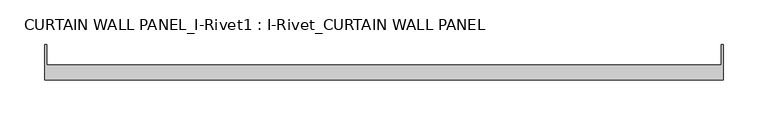
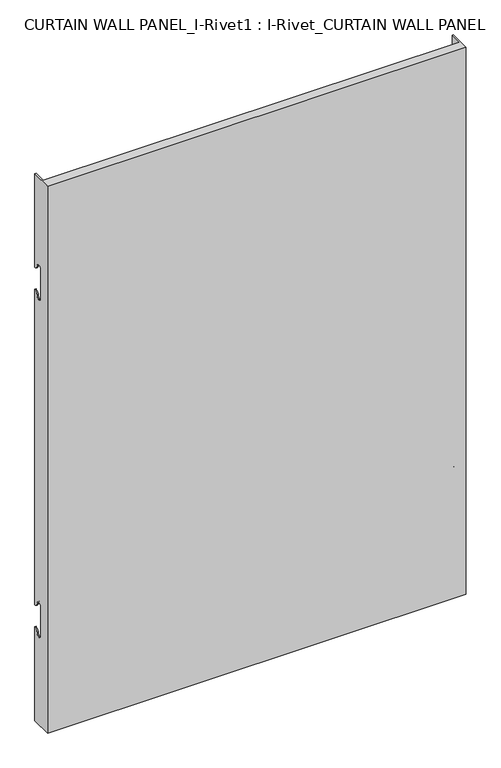
"""IFC4 building model written with IfcOpenShell, lengths in millimetres: plate geometry, CURTAIN WALL PANEL_I-Rivet1 : I-Rivet_CURTAIN WALL PANEL."""

import ifcopenshell
import ifcopenshell.guid

model = None  # the IFC model being written
_history = None  # IfcOwnerHistory: only IFC2X3 demands one
_inside = {}  # id of a spatial element -> (the spatial element, [elements in it])
_under = {}  # id of a project, library or spatial element -> (it, [spatial elements below it])
_declared = {}  # id of a project -> (the project, [libraries it declares])
_typed = {}  # id of a type object -> (the type object, [elements of that type])
_made_of = {}  # id of a material, layer set ... -> (it, [elements and type objects made of it])


def new_model(schema):
    """Start an empty IFC model of exactly this schema.

    Asked for "IFC4X3", IfcOpenShell would pick the latest addendum, in which some entities
    have other attributes; the version numbers below select the first issue.
    IFC2X3 requires an IfcOwnerHistory on every rooted entity: one is made here for all.
    """
    global model, _history
    if schema == "IFC4X3":
        model = ifcopenshell.file(schema_version=(4, 3, 0, 0))
    else:
        model = ifcopenshell.file(schema=schema)
    _inside.clear()
    _under.clear()
    _declared.clear()
    _typed.clear()
    _made_of.clear()
    _history = None
    if model.schema == "IFC2X3":
        org = make("IfcOrganization", Name="unknown")
        user = make(
            "IfcPersonAndOrganization",
            ThePerson=make("IfcPerson", FamilyName="unknown"),
            TheOrganization=org,
        )
        app = make(
            "IfcApplication",
            ApplicationDeveloper=org,
            Version="unknown",
            ApplicationFullName="unknown",
            ApplicationIdentifier="unknown",
        )
        _history = make(
            "IfcOwnerHistory",
            OwningUser=user,
            OwningApplication=app,
            ChangeAction="ADDED",
            CreationDate=0,
        )
    return model


def make(cls, **values):
    """One entity of the class cls with the attributes given. An attribute that is None is left unset."""
    return model.create_entity(
        cls, **{name: value for name, value in values.items() if value is not None}
    )


def rooted(cls, **values):
    """An entity with a GlobalId (a new one), such as an element, a storey or a relation."""
    return make(cls, GlobalId=ifcopenshell.guid.new(), OwnerHistory=_history, **values)


def si_unit(unit_type, name, prefix=None):
    """IfcSIUnit, for example si_unit("LENGTHUNIT", "METRE", prefix="MILLI")."""
    return make("IfcSIUnit", UnitType=unit_type, Prefix=prefix, Name=name)


def assignment(units):
    """IfcUnitAssignment: the units of a project."""
    return None if units is None else make("IfcUnitAssignment", Units=units)


def point(xyz):
    """IfcCartesianPoint."""
    return None if xyz is None else make("IfcCartesianPoint", Coordinates=xyz)


def direction(xyz):
    """IfcDirection."""
    return None if xyz is None else make("IfcDirection", DirectionRatios=xyz)


def frame(location, z_axis=None, x_axis=None):
    """IfcAxis2Placement3D, a coordinate frame: its origin and axes. An axis left out is left unset."""
    return make(
        "IfcAxis2Placement3D",
        Location=point(location),
        Axis=direction(z_axis),
        RefDirection=direction(x_axis),
    )


def origin():
    """The frame at (0, 0, 0) with its axes left unset."""
    return frame((0.0, 0.0, 0.0))


def place(relative_to, where):
    """IfcLocalPlacement: puts the frame where relative to a parent placement (None: the world)."""
    return make(
        "IfcLocalPlacement", PlacementRelTo=relative_to, RelativePlacement=where
    )


def context(
    kind, dimensions, precision=None, world=None, true_north=None, identifier=None
):
    """IfcGeometricRepresentationContext, for example the 3D "Model" context."""
    return make(
        "IfcGeometricRepresentationContext",
        ContextIdentifier=identifier,
        ContextType=kind,
        CoordinateSpaceDimension=dimensions,
        Precision=precision,
        WorldCoordinateSystem=world,
        TrueNorth=true_north,
    )


def project(units=None, contexts=None):
    """IfcProject with its units and contexts."""
    return rooted(
        "IfcProject",
        Name="project",
        RepresentationContexts=contexts,
        UnitsInContext=assignment(units),
    )


def spatial(cls, under=None, at=None, **own):
    """A site, building, storey or space (cls), placed at a placement, below another one or the project."""
    s = rooted(cls, ObjectPlacement=at, **own)
    if under is not None:
        _under.setdefault(under.id(), (under, []))[1].append(s)
    return s


def polyline(points):
    """IfcPolyline through the points."""
    return make("IfcPolyline", Points=[point(p) for p in points])


def circle_curve(where, radius):
    """IfcCircle in the frame where."""
    return make("IfcCircle", Position=where, Radius=radius)


def shape(context_of_items, identifier, shape_type, items):
    """IfcShapeRepresentation: the items that make up one representation, for example the "Body"."""
    return make(
        "IfcShapeRepresentation",
        ContextOfItems=context_of_items,
        RepresentationIdentifier=identifier,
        RepresentationType=shape_type,
        Items=items,
    )


def source(mapping_origin, context_of_items, identifier, shape_type, items):
    """IfcRepresentationMap: a shape defined once, which mapped items show again and again."""
    return make(
        "IfcRepresentationMap",
        MappingOrigin=mapping_origin,
        MappedRepresentation=shape(context_of_items, identifier, shape_type, items),
    )


def transform(
    local_origin,
    x_axis=None,
    y_axis=None,
    z_axis=None,
    scale=None,
    scale2=None,
    scale3=None,
    uniform=True,
):
    """IfcCartesianTransformationOperator3D, or its non-uniform kind. x_axis, y_axis, z_axis: its Axis1, 2, 3."""
    if uniform:
        return make(
            "IfcCartesianTransformationOperator3D",
            Axis1=direction(x_axis),
            Axis2=direction(y_axis),
            LocalOrigin=point(local_origin),
            Scale=scale,
            Axis3=direction(z_axis),
        )
    return make(
        "IfcCartesianTransformationOperator3DnonUniform",
        Axis1=direction(x_axis),
        Axis2=direction(y_axis),
        LocalOrigin=point(local_origin),
        Scale=scale,
        Axis3=direction(z_axis),
        Scale2=scale2,
        Scale3=scale3,
    )


def mapped(mapping_source, mapping_target):
    """IfcMappedItem: shows the shape of a source again, moved by a transform."""
    return make(
        "IfcMappedItem", MappingSource=mapping_source, MappingTarget=mapping_target
    )


def made_of(thing, what):
    """Note that an element or type object is made of a material, layer set ...; save() writes the relation."""
    if what is not None:
        _made_of.setdefault(what.id(), (what, []))[1].append(thing)
    return thing


def element(
    cls,
    number,
    at=None,
    inside=None,
    cuts=None,
    type_object=None,
    material=None,
    context=None,
    identifier="Body",
    shape_type=None,
    held_by="IfcProductDefinitionShape",
    body=None,
    shapes=None,
    **own,
):
    """One element of the class cls, such as IfcWall. Its Tag is "e" and its number.

    at: its placement. inside: the storey or other place that contains it. cuts: it is an
    opening in that element (IfcRelVoidsElement). A single representation is given by context,
    identifier, shape_type and body (its items); several are given by shapes. held_by: the class
    of the entity that holds the representations. save() writes the other relations.
    """
    e = rooted(cls, Tag="e%d" % number, ObjectPlacement=at, **own)
    if body is not None:
        shapes = [shape(context, identifier, shape_type, body)]
    if shapes is not None:
        e.Representation = make(held_by, Representations=shapes)
    if inside is not None:
        _inside.setdefault(inside.id(), (inside, []))[1].append(e)
    if cuts is not None:
        rooted(
            "IfcRelVoidsElement", RelatingBuildingElement=cuts, RelatedOpeningElement=e
        )
    if type_object is not None:
        _typed.setdefault(type_object.id(), (type_object, []))[1].append(e)
    return made_of(e, material)


def aggregate(whole, parts):
    """IfcRelAggregates: a whole, such as a stair, and the parts it consists of."""
    return rooted("IfcRelAggregates", RelatingObject=whole, RelatedObjects=parts)


def save(model, path):
    """Write the relations noted so far, then the file.

    IfcRelAggregates (storeys below a building ...), IfcRelContainedInSpatialStructure (elements
    in a storey), IfcRelDefinesByType, IfcRelAssociatesMaterial and IfcRelDeclares: one each for
    every whole, place, type object, material and project.
    """
    for whole, parts in _under.values():
        aggregate(whole, parts)
    for where, things in _inside.values():
        rooted(
            "IfcRelContainedInSpatialStructure",
            RelatedElements=things,
            RelatingStructure=where,
        )
    for kind, things in _typed.values():
        rooted("IfcRelDefinesByType", RelatedObjects=things, RelatingType=kind)
    for what, things in _made_of.values():
        rooted("IfcRelAssociatesMaterial", RelatedObjects=things, RelatingMaterial=what)
    for by, libraries in _declared.values():
        rooted("IfcRelDeclares", RelatingContext=by, RelatedDefinitions=libraries)
    model.write(path)


def plane_surface(at):
    """IfcPlane: the flat surface through the origin of the frame at, square to its z axis."""
    return make("IfcPlane", Position=at)


def cylinder_surface(at, radius):
    """IfcCylindricalSurface: all points at the distance radius from the z axis of the frame at."""
    return make("IfcCylindricalSurface", Position=at, Radius=radius)


def revolved_surface(curve, axis_point, axis_direction):
    """IfcSurfaceOfRevolution: the curve turned about the line through axis_point along axis_direction."""
    return make(
        "IfcSurfaceOfRevolution",
        SweptCurve=make("IfcArbitraryOpenProfileDef", ProfileType="CURVE", Curve=curve),
        AxisPosition=make("IfcAxis1Placement", Location=point(axis_point), Axis=direction(axis_direction)),
    )


def advanced_brep(points, edges, surfaces, faces):
    """IfcAdvancedBrep: a solid bounded by faces that lie on surfaces and meet in shared edges.

    An edge is (start, end): straight between two places in points (the first is 0);
    or (start, end, curve); or (start, end, curve, False) where it runs against its curve.
    A face is (place in surfaces, loops), or (place, loops, False) where it looks against
    its surface's normal. A loop lists edges by number (the first is 1), with a minus sign
    where the edge is run from its end to its start. The first loop is the outer one.
    """
    corners = [point(p) for p in points]
    vertices = [make("IfcVertexPoint", VertexGeometry=c) for c in corners]
    made = []
    for start, end, *more in edges:
        made.append(
            make(
                "IfcEdgeCurve",
                EdgeStart=vertices[start],
                EdgeEnd=vertices[end],
                EdgeGeometry=more[0] if more else make("IfcPolyline", Points=[corners[start], corners[end]]),
                SameSense=more[1] if len(more) > 1 else True,
            )
        )
    hull = []
    for where, loops, *sense in faces:
        bounds = []
        for j, loop in enumerate(loops):
            ring = [make("IfcOrientedEdge", EdgeElement=made[abs(k) - 1], Orientation=k > 0) for k in loop]
            bounds.append(
                make(
                    "IfcFaceOuterBound" if j == 0 else "IfcFaceBound",
                    Bound=make("IfcEdgeLoop", EdgeList=ring),
                    Orientation=True,
                )
            )
        hull.append(make("IfcAdvancedFace", Bounds=bounds, FaceSurface=surfaces[where], SameSense=sense[0] if sense else True))
    return make("IfcAdvancedBrep", Outer=make("IfcClosedShell", CfsFaces=hull))


def curtain_wall_panel_i_rivet1_i_rivet_curtain_wall_panel_09498581(model_context):
    return source(origin(), model_context, "Body", "AdvancedBrep", [
        advanced_brep(
        [(-378.5915221, -85.0, 1045.0), (378.5915221, -85.0, 1045.0), (378.5915221, -45.3384103, 1045.0), (376.5915221, -45.3384103, 1045.0), (376.5915221, -68.0, 1045.0), (-376.5915221, -68.0, 1045.0), (-376.5915221, -45.3384103, 1045.0), (-378.5915221, -45.3384103, 1045.0), (-378.5915221, -85.0, 0.0), (-378.5915221, -45.3384103, 0.0), (-376.5915221, -45.3384103, 0.0), (-376.5915221, -68.0, 0.0), (376.5915221, -68.0, 0.0), (376.5915221, -45.3384103, 0.0), (378.5915221, -45.3384103, 0.0), (378.5915221, -85.0, 0.0), (-378.5915221, -45.3384103, 866.0), (-378.5915221, -52.3384103, 873.0), (-378.5915221, -63.3384103, 873.0), (-378.5915221, -63.3384103, 817.0), (-378.5915221, -52.3384103, 817.0), (-378.5915221, -45.3384103, 824.0), (-378.5915221, -45.3384103, 221.0), (-378.5915221, -52.3384103, 228.0), (-378.5915221, -63.3384103, 228.0), (-378.5915221, -63.3384103, 172.0), (-378.5915221, -52.3384103, 172.0), (-378.5915221, -45.3384103, 179.0), (-376.5915221, -45.3384103, 179.0), (-376.5915221, -45.3384103, 824.0), (-376.5915221, -45.3384103, 221.0), (-376.5915221, -45.3384103, 866.0), (378.5915221, -45.3384103, 866.0), (376.5915221, -45.3384103, 866.0), (376.5915221, -45.3384103, 179.0), (378.5915221, -45.3384103, 179.0), (376.5915221, -45.3384103, 221.0), (376.5915221, -45.3384103, 824.0), (378.5915221, -45.3384103, 824.0), (378.5915221, -45.3384103, 221.0), (378.5915221, -52.3384103, 172.0), (378.5915221, -63.3384103, 172.0), (378.5915221, -63.3384103, 228.0), (378.5915221, -52.3384103, 228.0), (378.5915221, -52.3384103, 817.0), (378.5915221, -63.3384103, 817.0), (378.5915221, -63.3384103, 873.0), (378.5915221, -52.3384103, 873.0), (-376.5915221, -52.3384103, 172.0), (-376.5915221, -63.3384103, 172.0), (-376.5915221, -63.3384103, 228.0), (-376.5915221, -52.3384103, 228.0), (-376.5915221, -52.3384103, 817.0), (-376.5915221, -63.3384103, 817.0), (-376.5915221, -63.3384103, 873.0), (-376.5915221, -52.3384103, 873.0), (376.5915221, -52.3384103, 873.0), (376.5915221, -63.3384103, 873.0), (376.5915221, -63.3384103, 817.0), (376.5915221, -52.3384103, 817.0), (376.5915221, -52.3384103, 228.0), (376.5915221, -63.3384103, 228.0), (376.5915221, -63.3384103, 172.0), (376.5915221, -52.3384103, 172.0)],
        [
            (0, 1),
            (1, 2),
            (2, 3),
            (3, 4),
            (4, 5),
            (5, 6),
            (6, 7),
            (7, 0),
            (8, 9),
            (9, 10),
            (10, 11),
            (11, 12),
            (12, 13),
            (13, 14),
            (14, 15),
            (15, 8),
            (7, 16),
            (16, 17, circle_curve(frame((-378.5915221, -45.3384103, 873.0), z_axis=(-1.0, 0.0, 0.0), x_axis=(0.0, -1.0, 0.0)), 7.0)),
            (17, 18, circle_curve(frame((-378.5915221, -57.8384103, 873.0), z_axis=(1.0, 0.0, 0.0), x_axis=(0.0, -1.0, 0.0)), 5.5)),
            (18, 19),
            (19, 20, circle_curve(frame((-378.5915221, -57.8384103, 817.0), z_axis=(1.0, 0.0, 0.0), x_axis=(0.0, -1.0, 0.0)), 5.5)),
            (20, 21, circle_curve(frame((-378.5915221, -45.3384103, 817.0), z_axis=(-1.0, 0.0, 0.0), x_axis=(0.0, -1.0, 0.0)), 7.0)),
            (21, 22),
            (22, 23, circle_curve(frame((-378.5915221, -45.3384103, 228.0), z_axis=(-1.0, 0.0, 0.0), x_axis=(0.0, -1.0, 0.0)), 7.0)),
            (23, 24, circle_curve(frame((-378.5915221, -57.8384103, 228.0), z_axis=(1.0, 0.0, 0.0), x_axis=(0.0, -1.0, 0.0)), 5.5)),
            (24, 25),
            (25, 26, circle_curve(frame((-378.5915221, -57.8384103, 172.0), z_axis=(1.0, 0.0, 0.0), x_axis=(0.0, -1.0, 0.0)), 5.5)),
            (26, 27, circle_curve(frame((-378.5915221, -45.3384103, 172.0), z_axis=(-1.0, 0.0, 0.0), x_axis=(0.0, -1.0, 0.0)), 7.0)),
            (27, 9),
            (8, 0),
            (27, 28),
            (28, 10),
            (21, 29),
            (29, 30),
            (30, 22),
            (6, 31),
            (31, 16),
            (2, 32),
            (32, 33),
            (33, 3),
            (13, 34),
            (34, 35),
            (35, 14),
            (36, 37),
            (37, 38),
            (38, 39),
            (39, 36),
            (1, 15),
            (35, 40, circle_curve(frame((378.5915221, -45.3384103, 172.0), z_axis=(1.0, 0.0, 0.0), x_axis=(0.0, -1.0, 0.0)), 7.0)),
            (40, 41, circle_curve(frame((378.5915221, -57.8384103, 172.0), z_axis=(-1.0, 0.0, 0.0), x_axis=(0.0, -1.0, 0.0)), 5.5)),
            (41, 42),
            (42, 43, circle_curve(frame((378.5915221, -57.8384103, 228.0), z_axis=(-1.0, 0.0, 0.0), x_axis=(0.0, -1.0, 0.0)), 5.5)),
            (43, 39, circle_curve(frame((378.5915221, -45.3384103, 228.0), z_axis=(1.0, 0.0, 0.0), x_axis=(0.0, -1.0, 0.0)), 7.0)),
            (38, 44, circle_curve(frame((378.5915221, -45.3384103, 817.0), z_axis=(1.0, 0.0, 0.0), x_axis=(0.0, -1.0, 0.0)), 7.0)),
            (44, 45, circle_curve(frame((378.5915221, -57.8384103, 817.0), z_axis=(-1.0, 0.0, 0.0), x_axis=(0.0, -1.0, 0.0)), 5.5)),
            (45, 46),
            (46, 47, circle_curve(frame((378.5915221, -57.8384103, 873.0), z_axis=(-1.0, 0.0, 0.0), x_axis=(0.0, -1.0, 0.0)), 5.5)),
            (47, 32, circle_curve(frame((378.5915221, -45.3384103, 873.0), z_axis=(1.0, 0.0, 0.0), x_axis=(0.0, -1.0, 0.0)), 7.0)),
            (5, 11),
            (28, 48, circle_curve(frame((-376.5915221, -45.3384103, 172.0), z_axis=(1.0, 0.0, 0.0), x_axis=(0.0, -1.0, 0.0)), 7.0)),
            (48, 49, circle_curve(frame((-376.5915221, -57.8384103, 172.0), z_axis=(-1.0, 0.0, 0.0), x_axis=(0.0, -1.0, 0.0)), 5.5)),
            (49, 50),
            (50, 51, circle_curve(frame((-376.5915221, -57.8384103, 228.0), z_axis=(-1.0, 0.0, 0.0), x_axis=(0.0, -1.0, 0.0)), 5.5)),
            (51, 30, circle_curve(frame((-376.5915221, -45.3384103, 228.0), z_axis=(1.0, 0.0, 0.0), x_axis=(0.0, -1.0, 0.0)), 7.0)),
            (29, 52, circle_curve(frame((-376.5915221, -45.3384103, 817.0), z_axis=(1.0, 0.0, 0.0), x_axis=(0.0, -1.0, 0.0)), 7.0)),
            (52, 53, circle_curve(frame((-376.5915221, -57.8384103, 817.0), z_axis=(-1.0, 0.0, 0.0), x_axis=(0.0, -1.0, 0.0)), 5.5)),
            (53, 54),
            (54, 55, circle_curve(frame((-376.5915221, -57.8384103, 873.0), z_axis=(-1.0, 0.0, 0.0), x_axis=(0.0, -1.0, 0.0)), 5.5)),
            (55, 31, circle_curve(frame((-376.5915221, -45.3384103, 873.0), z_axis=(1.0, 0.0, 0.0), x_axis=(0.0, -1.0, 0.0)), 7.0)),
            (33, 56, circle_curve(frame((376.5915221, -45.3384103, 873.0), z_axis=(-1.0, 0.0, 0.0), x_axis=(0.0, -1.0, 0.0)), 7.0)),
            (56, 57, circle_curve(frame((376.5915221, -57.8384103, 873.0), z_axis=(1.0, 0.0, 0.0), x_axis=(0.0, -1.0, 0.0)), 5.5)),
            (57, 58),
            (58, 59, circle_curve(frame((376.5915221, -57.8384103, 817.0), z_axis=(1.0, 0.0, 0.0), x_axis=(0.0, -1.0, 0.0)), 5.5)),
            (59, 37, circle_curve(frame((376.5915221, -45.3384103, 817.0), z_axis=(-1.0, 0.0, 0.0), x_axis=(0.0, -1.0, 0.0)), 7.0)),
            (36, 60, circle_curve(frame((376.5915221, -45.3384103, 228.0), z_axis=(-1.0, 0.0, 0.0), x_axis=(0.0, -1.0, 0.0)), 7.0)),
            (60, 61, circle_curve(frame((376.5915221, -57.8384103, 228.0), z_axis=(1.0, 0.0, 0.0), x_axis=(0.0, -1.0, 0.0)), 5.5)),
            (61, 62),
            (62, 63, circle_curve(frame((376.5915221, -57.8384103, 172.0), z_axis=(1.0, 0.0, 0.0), x_axis=(0.0, -1.0, 0.0)), 5.5)),
            (63, 34, circle_curve(frame((376.5915221, -45.3384103, 172.0), z_axis=(-1.0, 0.0, 0.0), x_axis=(0.0, -1.0, 0.0)), 7.0)),
            (12, 4),
            (41, 62),
            (61, 42),
            (49, 25),
            (24, 50),
            (40, 63),
            (48, 26),
            (51, 23),
            (43, 60),
            (18, 54),
            (53, 19),
            (57, 46),
            (45, 58),
            (17, 55),
            (56, 47),
            (59, 44),
            (20, 52),
        ],
        [
            plane_surface(frame((-378.5915221, -45.3384103, 1045.0), z_axis=(0.0, 0.0, 1.0), x_axis=(0.0, 1.0, 0.0))),
            plane_surface(frame((-378.5915221, -45.3384103, 0.0), z_axis=(0.0, 0.0, -1.0), x_axis=(0.0, -1.0, 0.0))),
            plane_surface(frame((-378.5915221, -85.0, 1045.0), z_axis=(-1.0, 0.0, 0.0), x_axis=(0.0, 0.0, -1.0))),
            plane_surface(frame((-378.5915221, -45.3384103, 1045.0), z_axis=(0.0, 1.0, 0.0), x_axis=(0.0, 0.0, -1.0))),
            plane_surface(frame((376.5915221, -45.3384103, 1045.0), z_axis=(0.0, 1.0, 0.0), x_axis=(0.0, 0.0, -1.0))),
            plane_surface(frame((378.5915221, -45.3384103, 1045.0), z_axis=(1.0, 0.0, 0.0), x_axis=(0.0, 0.0, -1.0))),
            plane_surface(frame((378.5915221, -85.0, 1045.0), z_axis=(0.0, -1.0, 0.0), x_axis=(0.0, 0.0, -1.0))),
            plane_surface(frame((-376.5915221, -45.3384103, 1045.0), z_axis=(1.0, 0.0, 0.0), x_axis=(0.0, 0.0, -1.0))),
            plane_surface(frame((376.5915221, -68.0, 1045.0), z_axis=(-1.0, 0.0, 0.0), x_axis=(0.0, 0.0, -1.0))),
            plane_surface(frame((-377.5915221, -68.0, 1045.0), z_axis=(0.0, 1.0, 0.0), x_axis=(0.0, 0.0, -1.0))),
            plane_surface(frame((-378.5915221, -63.3384103, 228.0), z_axis=(0.0, 1.0, 0.0), x_axis=(1.0, 0.0, 0.0))),
            revolved_surface(polyline([(376.5915221, -63.3384103, 172.0), (378.5915221, -63.3384103, 172.0)]), (-378.5915221, -57.8384103, 172.0), (-1.0, 0.0, 0.0)),
            revolved_surface(polyline([(-378.5915221, -63.3384103, 172.0), (-376.5915221, -63.3384103, 172.0)]), (-378.5915221, -57.8384103, 172.0), (-1.0, 0.0, 0.0)),
            cylinder_surface(frame((-378.5915221, -45.3384103, 172.0), z_axis=(1.0, 0.0, 0.0), x_axis=(0.0, -1.0, 0.0)), 7.0),
            cylinder_surface(frame((-378.5915221, -45.3384103, 228.0), z_axis=(1.0, 0.0, 0.0), x_axis=(0.0, -1.0, 0.0)), 7.0),
            revolved_surface(polyline([(-378.5915221, -63.3384103, 228.0), (-376.5915221, -63.3384103, 228.0)]), (-378.5915221, -57.8384103, 228.0), (-1.0, 0.0, 0.0)),
            revolved_surface(polyline([(376.5915221, -63.3384103, 228.0), (378.5915221, -63.3384103, 228.0)]), (-378.5915221, -57.8384103, 228.0), (-1.0, 0.0, 0.0)),
            plane_surface(frame((378.5915221, -63.3384103, 817.0), z_axis=(0.0, 1.0, 0.0), x_axis=(-1.0, 0.0, 0.0))),
            revolved_surface(polyline([(-376.5915221, -63.3384103, 873.0), (-378.5915221, -63.3384103, 873.0)]), (378.5915221, -57.8384103, 873.0), (1.0, 0.0, 0.0)),
            revolved_surface(polyline([(378.5915221, -63.3384103, 873.0), (376.5915221, -63.3384103, 873.0)]), (378.5915221, -57.8384103, 873.0), (1.0, 0.0, 0.0)),
            cylinder_surface(frame((378.5915221, -45.3384103, 873.0), z_axis=(-1.0, 0.0, 0.0), x_axis=(0.0, -1.0, 0.0)), 7.0),
            cylinder_surface(frame((378.5915221, -45.3384103, 817.0), z_axis=(-1.0, 0.0, 0.0), x_axis=(0.0, -1.0, 0.0)), 7.0),
            revolved_surface(polyline([(378.5915221, -63.3384103, 817.0), (376.5915221, -63.3384103, 817.0)]), (378.5915221, -57.8384103, 817.0), (1.0, 0.0, 0.0)),
            revolved_surface(polyline([(-376.5915221, -63.3384103, 817.0), (-378.5915221, -63.3384103, 817.0)]), (378.5915221, -57.8384103, 817.0), (1.0, 0.0, 0.0)),
        ],
        [
            (0, [[1, 2, 3, 4, 5, 6, 7, 8]]),
            (1, [[9, 10, 11, 12, 13, 14, 15, 16]]),
            (2, [[17, 18, 19, 20, 21, 22, 23, 24, 25, 26, 27, 28, 29, -9, 30, -8]]),
            (3, [[-29, 31, 32, -10]]),
            (3, [[-23, 33, 34, 35]]),
            (3, [[36, 37, -17, -7]]),
            (4, [[38, 39, 40, -3]]),
            (4, [[41, 42, 43, -14]]),
            (4, [[44, 45, 46, 47]]),
            (5, [[48, -15, -43, 49, 50, 51, 52, 53, -46, 54, 55, 56, 57, 58, -38, -2]]),
            (6, [[-30, -16, -48, -1]]),
            (7, [[59, -11, -32, 60, 61, 62, 63, 64, -34, 65, 66, 67, 68, 69, -36, -6]]),
            (8, [[-40, 70, 71, 72, 73, 74, -44, 75, 76, 77, 78, 79, -41, -13, 80, -4]]),
            (9, [[-80, -12, -59, -5]]),
            (10, [[-51, 81, -77, 82]]),
            (10, [[-62, 83, -26, 84]]),
            (11, [[-50, 85, -78, -81]]),
            (12, [[-61, 86, -27, -83]]),
            (13, [[-49, -42, -79, -85]]),
            (13, [[-60, -31, -28, -86]]),
            (14, [[-24, -35, -64, 87]]),
            (14, [[-75, -47, -53, 88]]),
            (15, [[-25, -87, -63, -84]]),
            (16, [[-76, -88, -52, -82]]),
            (17, [[-20, 89, -67, 90]]),
            (17, [[-72, 91, -56, 92]]),
            (18, [[-19, 93, -68, -89]]),
            (19, [[-71, 94, -57, -91]]),
            (20, [[-18, -37, -69, -93]]),
            (20, [[-70, -39, -58, -94]]),
            (21, [[-54, -45, -74, 95]]),
            (21, [[-65, -33, -22, 96]]),
            (22, [[-55, -95, -73, -92]]),
            (23, [[-66, -96, -21, -90]]),
        ],
    ),
    ])


if __name__ == "__main__":
    model = new_model("IFC4")
    model_context = context("Model", 3, world=origin())
    ifc_project = project(units=[si_unit("LENGTHUNIT", "METRE", prefix="MILLI")], contexts=[model_context])
    site = spatial("IfcSite", under=ifc_project)
    building = spatial("IfcBuilding", under=site)
    placement = place(None, origin())
    curtain_wall_panel_i_rivet1_i_rivet_curtain_wall_panel_shape = curtain_wall_panel_i_rivet1_i_rivet_curtain_wall_panel_09498581(model_context)
    element("IfcPlate", 1, ObjectType="CURTAIN WALL PANEL_I-Rivet1 : I-Rivet_CURTAIN WALL PANEL", at=placement, inside=building, context=model_context, shape_type="MappedRepresentation", body=[
        mapped(curtain_wall_panel_i_rivet1_i_rivet_curtain_wall_panel_shape, transform((0.0, 0.0, 0.0), x_axis=(1.0, 0.0, 0.0), y_axis=(0.0, 1.0, 0.0), z_axis=(0.0, 0.0, 1.0))),
    ])
    save(model, "model.ifc")
